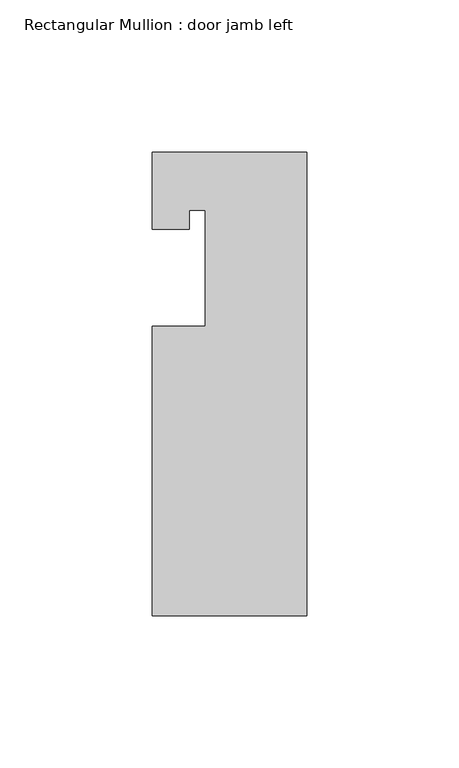
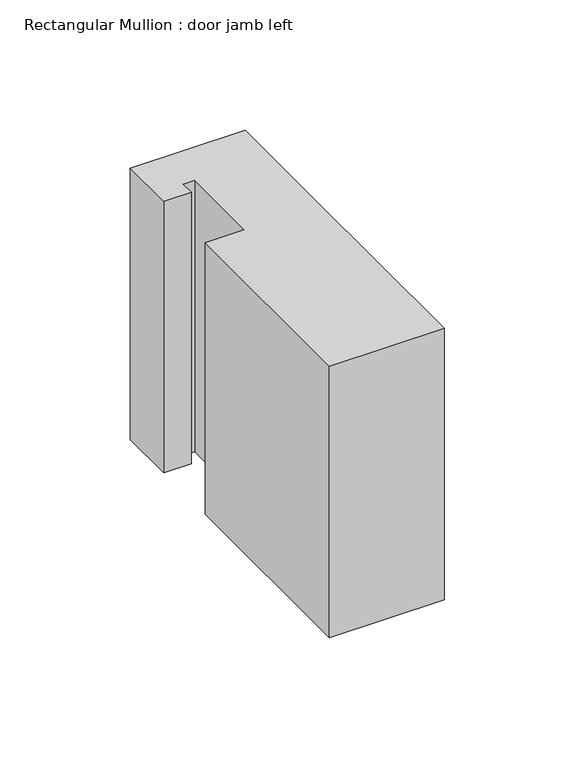
"""IFC4 building model written with IfcOpenShell, lengths in millimetres: member geometry, Rectangular Mullion : door jamb left."""

from ifc_helpers import new_model, si_unit, frame, origin, place, context, project, spatial, polyline, outline, extrude, source, transform, mapped, element, save


def rectangular_mullion_door_jamb_left_6cb52b28(model_context):
    return source(origin(), model_context, "Body", "SweptSolid", [
        extrude(outline(polyline([(-25.4, -146.05), (-25.4, -50.8), (-7.9502, -50.8), (-7.9502, -12.7), (-13.208, -12.7), (-13.208, -19.05), (-25.4, -19.05), (-25.4, 6.35), (25.4, 6.35), (25.4, -45.8947778), (25.4, -146.05), (-25.4, -146.05)])), frame((0.0, 0.0, -127.0), z_axis=(0.0, 0.0, 1.0), x_axis=(1.0, 0.0, 0.0)), (0.0, 0.0, 1.0), 127.0),
    ])


if __name__ == "__main__":
    model = new_model("IFC4")
    model_context = context("Model", 3, world=origin())
    ifc_project = project(units=[si_unit("LENGTHUNIT", "METRE", prefix="MILLI")], contexts=[model_context])
    site = spatial("IfcSite", under=ifc_project)
    building = spatial("IfcBuilding", under=site)
    placement = place(None, origin())
    rectangular_mullion_door_jamb_left_shape = rectangular_mullion_door_jamb_left_6cb52b28(model_context)
    element("IfcMember", 1, ObjectType="Rectangular Mullion : door jamb left", at=placement, inside=building, context=model_context, shape_type="MappedRepresentation", body=[
        mapped(rectangular_mullion_door_jamb_left_shape, transform((0.0, 0.0, 0.0), x_axis=(1.0, 0.0, 0.0), y_axis=(0.0, 1.0, 0.0), z_axis=(0.0, 0.0, 1.0))),
    ])
    save(model, "model.ifc")
